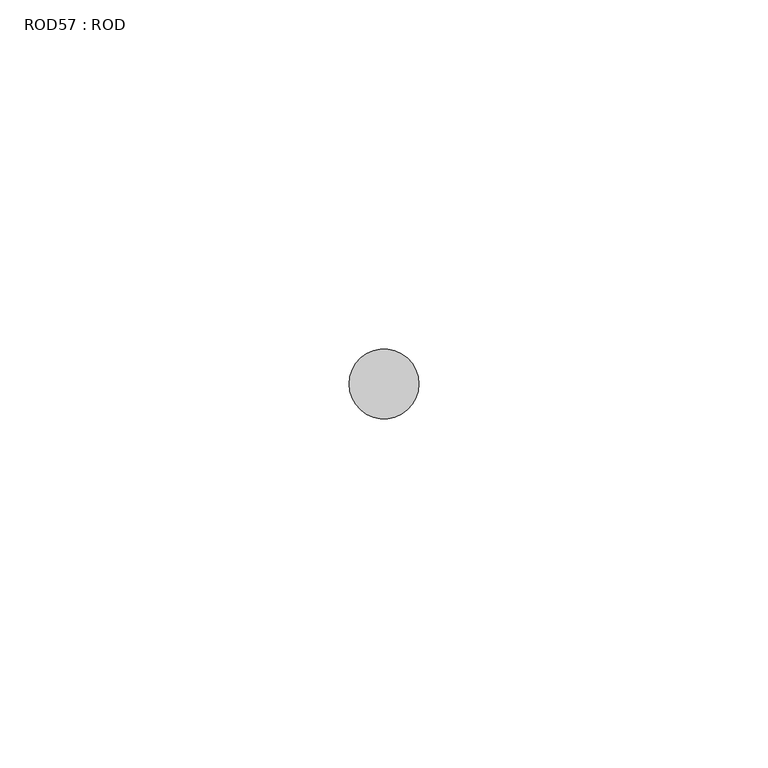
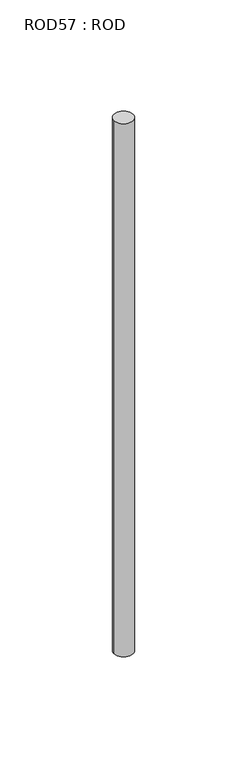
"""IFC4 building model written with IfcOpenShell, lengths in millimetres: proxy geometry, ROD57 : ROD."""

import ifcopenshell
import ifcopenshell.guid

model = None  # the IFC model being written
_history = None  # IfcOwnerHistory: only IFC2X3 demands one
_inside = {}  # id of a spatial element -> (the spatial element, [elements in it])
_under = {}  # id of a project, library or spatial element -> (it, [spatial elements below it])
_declared = {}  # id of a project -> (the project, [libraries it declares])
_typed = {}  # id of a type object -> (the type object, [elements of that type])
_made_of = {}  # id of a material, layer set ... -> (it, [elements and type objects made of it])


def new_model(schema):
    """Start an empty IFC model of exactly this schema.

    Asked for "IFC4X3", IfcOpenShell would pick the latest addendum, in which some entities
    have other attributes; the version numbers below select the first issue.
    IFC2X3 requires an IfcOwnerHistory on every rooted entity: one is made here for all.
    """
    global model, _history
    if schema == "IFC4X3":
        model = ifcopenshell.file(schema_version=(4, 3, 0, 0))
    else:
        model = ifcopenshell.file(schema=schema)
    _inside.clear()
    _under.clear()
    _declared.clear()
    _typed.clear()
    _made_of.clear()
    _history = None
    if model.schema == "IFC2X3":
        org = make("IfcOrganization", Name="unknown")
        user = make(
            "IfcPersonAndOrganization",
            ThePerson=make("IfcPerson", FamilyName="unknown"),
            TheOrganization=org,
        )
        app = make(
            "IfcApplication",
            ApplicationDeveloper=org,
            Version="unknown",
            ApplicationFullName="unknown",
            ApplicationIdentifier="unknown",
        )
        _history = make(
            "IfcOwnerHistory",
            OwningUser=user,
            OwningApplication=app,
            ChangeAction="ADDED",
            CreationDate=0,
        )
    return model


def make(cls, **values):
    """One entity of the class cls with the attributes given. An attribute that is None is left unset."""
    return model.create_entity(
        cls, **{name: value for name, value in values.items() if value is not None}
    )


def rooted(cls, **values):
    """An entity with a GlobalId (a new one), such as an element, a storey or a relation."""
    return make(cls, GlobalId=ifcopenshell.guid.new(), OwnerHistory=_history, **values)


def si_unit(unit_type, name, prefix=None):
    """IfcSIUnit, for example si_unit("LENGTHUNIT", "METRE", prefix="MILLI")."""
    return make("IfcSIUnit", UnitType=unit_type, Prefix=prefix, Name=name)


def assignment(units):
    """IfcUnitAssignment: the units of a project."""
    return None if units is None else make("IfcUnitAssignment", Units=units)


def point(xyz):
    """IfcCartesianPoint."""
    return None if xyz is None else make("IfcCartesianPoint", Coordinates=xyz)


def direction(xyz):
    """IfcDirection."""
    return None if xyz is None else make("IfcDirection", DirectionRatios=xyz)


def frame(location, z_axis=None, x_axis=None):
    """IfcAxis2Placement3D, a coordinate frame: its origin and axes. An axis left out is left unset."""
    return make(
        "IfcAxis2Placement3D",
        Location=point(location),
        Axis=direction(z_axis),
        RefDirection=direction(x_axis),
    )


def frame_2d(location, x_axis=None):
    """IfcAxis2Placement2D, a coordinate frame in the plane: its origin and x axis."""
    return make(
        "IfcAxis2Placement2D", Location=point(location), RefDirection=direction(x_axis)
    )


def origin():
    """The frame at (0, 0, 0) with its axes left unset."""
    return frame((0.0, 0.0, 0.0))


def place(relative_to, where):
    """IfcLocalPlacement: puts the frame where relative to a parent placement (None: the world)."""
    return make(
        "IfcLocalPlacement", PlacementRelTo=relative_to, RelativePlacement=where
    )


def context(
    kind, dimensions, precision=None, world=None, true_north=None, identifier=None
):
    """IfcGeometricRepresentationContext, for example the 3D "Model" context."""
    return make(
        "IfcGeometricRepresentationContext",
        ContextIdentifier=identifier,
        ContextType=kind,
        CoordinateSpaceDimension=dimensions,
        Precision=precision,
        WorldCoordinateSystem=world,
        TrueNorth=true_north,
    )


def project(units=None, contexts=None):
    """IfcProject with its units and contexts."""
    return rooted(
        "IfcProject",
        Name="project",
        RepresentationContexts=contexts,
        UnitsInContext=assignment(units),
    )


def spatial(cls, under=None, at=None, **own):
    """A site, building, storey or space (cls), placed at a placement, below another one or the project."""
    s = rooted(cls, ObjectPlacement=at, **own)
    if under is not None:
        _under.setdefault(under.id(), (under, []))[1].append(s)
    return s


def circle_curve(where, radius):
    """IfcCircle in the frame where."""
    return make("IfcCircle", Position=where, Radius=radius)


def trimmed(basis, trim1, trim2, sense, master):
    """IfcTrimmedCurve: the piece of a basis curve between two trims."""
    return make(
        "IfcTrimmedCurve",
        BasisCurve=basis,
        Trim1=trim1,
        Trim2=trim2,
        SenseAgreement=sense,
        MasterRepresentation=master,
    )


def segment(curve, same_sense, transition):
    """IfcCompositeCurveSegment."""
    return make(
        "IfcCompositeCurveSegment",
        Transition=transition,
        SameSense=same_sense,
        ParentCurve=curve,
    )


def composite_curve(segments, self_intersect=None):
    """IfcCompositeCurve: segments joined end to end."""
    return make("IfcCompositeCurve", Segments=segments, SelfIntersect=self_intersect)


def outline(outer, holes=None, kind="AREA"):
    """IfcArbitraryClosedProfileDef: a profile drawn as a closed curve; with holes, ...WithVoids."""
    if holes is None:
        return make("IfcArbitraryClosedProfileDef", ProfileType=kind, OuterCurve=outer)
    return make(
        "IfcArbitraryProfileDefWithVoids",
        ProfileType=kind,
        OuterCurve=outer,
        InnerCurves=holes,
    )


def extrude(swept, where, along, depth):
    """IfcExtrudedAreaSolid: the profile swept, set in the frame where, extruded along a direction by depth."""
    return make(
        "IfcExtrudedAreaSolid",
        SweptArea=swept,
        Position=where,
        ExtrudedDirection=direction(along),
        Depth=depth,
    )


def shape(context_of_items, identifier, shape_type, items):
    """IfcShapeRepresentation: the items that make up one representation, for example the "Body"."""
    return make(
        "IfcShapeRepresentation",
        ContextOfItems=context_of_items,
        RepresentationIdentifier=identifier,
        RepresentationType=shape_type,
        Items=items,
    )


def source(mapping_origin, context_of_items, identifier, shape_type, items):
    """IfcRepresentationMap: a shape defined once, which mapped items show again and again."""
    return make(
        "IfcRepresentationMap",
        MappingOrigin=mapping_origin,
        MappedRepresentation=shape(context_of_items, identifier, shape_type, items),
    )


def transform(
    local_origin,
    x_axis=None,
    y_axis=None,
    z_axis=None,
    scale=None,
    scale2=None,
    scale3=None,
    uniform=True,
):
    """IfcCartesianTransformationOperator3D, or its non-uniform kind. x_axis, y_axis, z_axis: its Axis1, 2, 3."""
    if uniform:
        return make(
            "IfcCartesianTransformationOperator3D",
            Axis1=direction(x_axis),
            Axis2=direction(y_axis),
            LocalOrigin=point(local_origin),
            Scale=scale,
            Axis3=direction(z_axis),
        )
    return make(
        "IfcCartesianTransformationOperator3DnonUniform",
        Axis1=direction(x_axis),
        Axis2=direction(y_axis),
        LocalOrigin=point(local_origin),
        Scale=scale,
        Axis3=direction(z_axis),
        Scale2=scale2,
        Scale3=scale3,
    )


def mapped(mapping_source, mapping_target):
    """IfcMappedItem: shows the shape of a source again, moved by a transform."""
    return make(
        "IfcMappedItem", MappingSource=mapping_source, MappingTarget=mapping_target
    )


def made_of(thing, what):
    """Note that an element or type object is made of a material, layer set ...; save() writes the relation."""
    if what is not None:
        _made_of.setdefault(what.id(), (what, []))[1].append(thing)
    return thing


def element(
    cls,
    number,
    at=None,
    inside=None,
    cuts=None,
    type_object=None,
    material=None,
    context=None,
    identifier="Body",
    shape_type=None,
    held_by="IfcProductDefinitionShape",
    body=None,
    shapes=None,
    **own,
):
    """One element of the class cls, such as IfcWall. Its Tag is "e" and its number.

    at: its placement. inside: the storey or other place that contains it. cuts: it is an
    opening in that element (IfcRelVoidsElement). A single representation is given by context,
    identifier, shape_type and body (its items); several are given by shapes. held_by: the class
    of the entity that holds the representations. save() writes the other relations.
    """
    e = rooted(cls, Tag="e%d" % number, ObjectPlacement=at, **own)
    if body is not None:
        shapes = [shape(context, identifier, shape_type, body)]
    if shapes is not None:
        e.Representation = make(held_by, Representations=shapes)
    if inside is not None:
        _inside.setdefault(inside.id(), (inside, []))[1].append(e)
    if cuts is not None:
        rooted(
            "IfcRelVoidsElement", RelatingBuildingElement=cuts, RelatedOpeningElement=e
        )
    if type_object is not None:
        _typed.setdefault(type_object.id(), (type_object, []))[1].append(e)
    return made_of(e, material)


def aggregate(whole, parts):
    """IfcRelAggregates: a whole, such as a stair, and the parts it consists of."""
    return rooted("IfcRelAggregates", RelatingObject=whole, RelatedObjects=parts)


def save(model, path):
    """Write the relations noted so far, then the file.

    IfcRelAggregates (storeys below a building ...), IfcRelContainedInSpatialStructure (elements
    in a storey), IfcRelDefinesByType, IfcRelAssociatesMaterial and IfcRelDeclares: one each for
    every whole, place, type object, material and project.
    """
    for whole, parts in _under.values():
        aggregate(whole, parts)
    for where, things in _inside.values():
        rooted(
            "IfcRelContainedInSpatialStructure",
            RelatedElements=things,
            RelatingStructure=where,
        )
    for kind, things in _typed.values():
        rooted("IfcRelDefinesByType", RelatedObjects=things, RelatingType=kind)
    for what, things in _made_of.values():
        rooted("IfcRelAssociatesMaterial", RelatedObjects=things, RelatingMaterial=what)
    for by, libraries in _declared.values():
        rooted("IfcRelDeclares", RelatingContext=by, RelatedDefinitions=libraries)
    model.write(path)


def rod57_rod_5f28fd45(model_context):
    return source(origin(), model_context, "Body", "SweptSolid", [
        extrude(outline(composite_curve([segment(trimmed(circle_curve(frame_2d((7492.7784384, -1114.6300853)), 5.0), [point((7487.7784384, -1114.6300853))], [point((7497.7784384, -1114.6300853))], False, "CARTESIAN"), True, "CONTINUOUS"), segment(trimmed(circle_curve(frame_2d((7492.7784384, -1114.6300853)), 5.0), [point((7497.7784384, -1114.6300853))], [point((7487.7784384, -1114.6300853))], False, "CARTESIAN"), True, "CONTINUOUS")], self_intersect=False)), frame((0.0, 0.0, -208.6608845), z_axis=(0.0, 0.0, 1.0), x_axis=(1.0, 0.0, 0.0)), (0.0, 0.0, 1.0), 298.9028972),
    ])


if __name__ == "__main__":
    model = new_model("IFC4")
    model_context = context("Model", 3, world=origin())
    ifc_project = project(units=[si_unit("LENGTHUNIT", "METRE", prefix="MILLI")], contexts=[model_context])
    site = spatial("IfcSite", under=ifc_project)
    building = spatial("IfcBuilding", under=site)
    placement = place(None, origin())
    rod57_rod_shape = rod57_rod_5f28fd45(model_context)
    element("IfcBuildingElementProxy", 1, Name="ROD57 : ROD", ObjectType="ROD57 : ROD", at=placement, inside=building, context=model_context, shape_type="MappedRepresentation", body=[
        mapped(rod57_rod_shape, transform((0.0, 0.0, 0.0), x_axis=(1.0, 0.0, 0.0), y_axis=(0.0, 1.0, 0.0), z_axis=(0.0, 0.0, 1.0))),
    ])
    save(model, "model.ifc")
